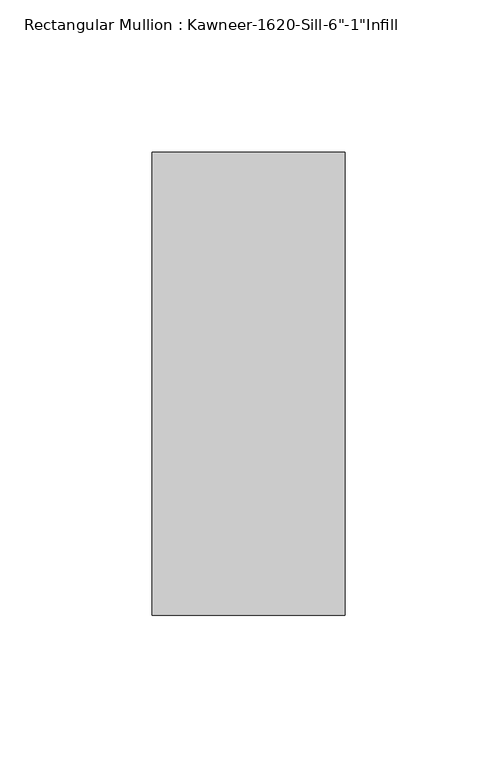
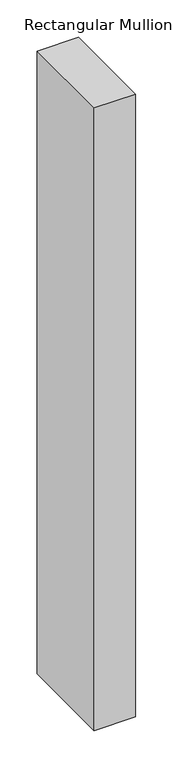
"""IFC4 building model written with IfcOpenShell, lengths in millimetres: member geometry."""

from ifc_helpers import new_model, si_unit, frame, origin, place, context, project, spatial, polyline, outline, extrude, source, transform, mapped, element, save


def member_77331a97(model_context):
    return source(origin(), model_context, "Body", "SweptSolid", [
        extrude(outline(polyline([(-63.5, -38.1), (-63.5, 114.3), (0.0, 114.3), (0.0, -38.1), (-63.5, -38.1)])), frame((0.0, 0.0, -1016.0), z_axis=(0.0, 0.0, 1.0), x_axis=(1.0, 0.0, 0.0)), (0.0, 0.0, 1.0), 1016.0),
    ])


if __name__ == "__main__":
    model = new_model("IFC4")
    model_context = context("Model", 3, world=origin())
    ifc_project = project(units=[si_unit("LENGTHUNIT", "METRE", prefix="MILLI")], contexts=[model_context])
    site = spatial("IfcSite", under=ifc_project)
    building = spatial("IfcBuilding", under=site)
    placement = place(None, origin())
    member_shape = member_77331a97(model_context)
    element("IfcMember", 1, ObjectType="Rectangular Mullion : Kawneer-1620-Sill-6\"-1\"Infill", at=placement, inside=building, context=model_context, shape_type="MappedRepresentation", body=[
        mapped(member_shape, transform((0.0, 0.0, 0.0), x_axis=(1.0, 0.0, 0.0), y_axis=(0.0, 1.0, 0.0), z_axis=(0.0, 0.0, 1.0))),
    ])
    save(model, "model.ifc")
